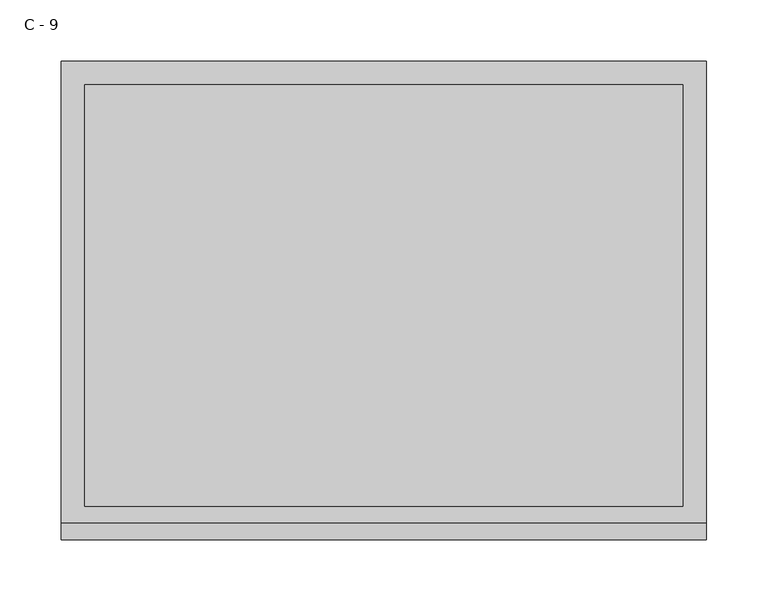
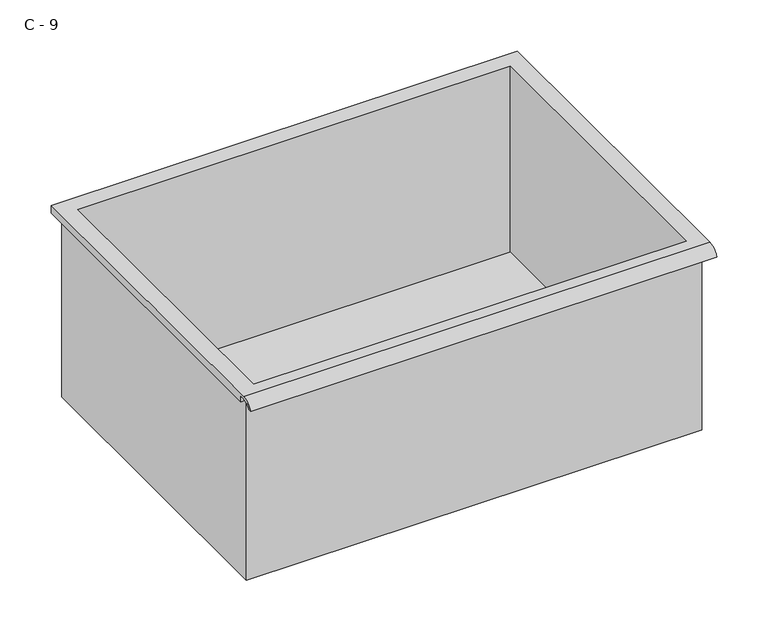
"""IFC4 building model written with IfcOpenShell, lengths in millimetres: furniture geometry, C - 9."""

import ifcopenshell
import ifcopenshell.guid

model = None  # the IFC model being written
_history = None  # IfcOwnerHistory: only IFC2X3 demands one
_inside = {}  # id of a spatial element -> (the spatial element, [elements in it])
_under = {}  # id of a project, library or spatial element -> (it, [spatial elements below it])
_declared = {}  # id of a project -> (the project, [libraries it declares])
_typed = {}  # id of a type object -> (the type object, [elements of that type])
_made_of = {}  # id of a material, layer set ... -> (it, [elements and type objects made of it])


def new_model(schema):
    """Start an empty IFC model of exactly this schema.

    Asked for "IFC4X3", IfcOpenShell would pick the latest addendum, in which some entities
    have other attributes; the version numbers below select the first issue.
    IFC2X3 requires an IfcOwnerHistory on every rooted entity: one is made here for all.
    """
    global model, _history
    if schema == "IFC4X3":
        model = ifcopenshell.file(schema_version=(4, 3, 0, 0))
    else:
        model = ifcopenshell.file(schema=schema)
    _inside.clear()
    _under.clear()
    _declared.clear()
    _typed.clear()
    _made_of.clear()
    _history = None
    if model.schema == "IFC2X3":
        org = make("IfcOrganization", Name="unknown")
        user = make(
            "IfcPersonAndOrganization",
            ThePerson=make("IfcPerson", FamilyName="unknown"),
            TheOrganization=org,
        )
        app = make(
            "IfcApplication",
            ApplicationDeveloper=org,
            Version="unknown",
            ApplicationFullName="unknown",
            ApplicationIdentifier="unknown",
        )
        _history = make(
            "IfcOwnerHistory",
            OwningUser=user,
            OwningApplication=app,
            ChangeAction="ADDED",
            CreationDate=0,
        )
    return model


def make(cls, **values):
    """One entity of the class cls with the attributes given. An attribute that is None is left unset."""
    return model.create_entity(
        cls, **{name: value for name, value in values.items() if value is not None}
    )


def rooted(cls, **values):
    """An entity with a GlobalId (a new one), such as an element, a storey or a relation."""
    return make(cls, GlobalId=ifcopenshell.guid.new(), OwnerHistory=_history, **values)


def si_unit(unit_type, name, prefix=None):
    """IfcSIUnit, for example si_unit("LENGTHUNIT", "METRE", prefix="MILLI")."""
    return make("IfcSIUnit", UnitType=unit_type, Prefix=prefix, Name=name)


def assignment(units):
    """IfcUnitAssignment: the units of a project."""
    return None if units is None else make("IfcUnitAssignment", Units=units)


def point(xyz):
    """IfcCartesianPoint."""
    return None if xyz is None else make("IfcCartesianPoint", Coordinates=xyz)


def direction(xyz):
    """IfcDirection."""
    return None if xyz is None else make("IfcDirection", DirectionRatios=xyz)


def frame(location, z_axis=None, x_axis=None):
    """IfcAxis2Placement3D, a coordinate frame: its origin and axes. An axis left out is left unset."""
    return make(
        "IfcAxis2Placement3D",
        Location=point(location),
        Axis=direction(z_axis),
        RefDirection=direction(x_axis),
    )


def origin():
    """The frame at (0, 0, 0) with its axes left unset."""
    return frame((0.0, 0.0, 0.0))


def place(relative_to, where):
    """IfcLocalPlacement: puts the frame where relative to a parent placement (None: the world)."""
    return make(
        "IfcLocalPlacement", PlacementRelTo=relative_to, RelativePlacement=where
    )


def context(
    kind, dimensions, precision=None, world=None, true_north=None, identifier=None
):
    """IfcGeometricRepresentationContext, for example the 3D "Model" context."""
    return make(
        "IfcGeometricRepresentationContext",
        ContextIdentifier=identifier,
        ContextType=kind,
        CoordinateSpaceDimension=dimensions,
        Precision=precision,
        WorldCoordinateSystem=world,
        TrueNorth=true_north,
    )


def project(units=None, contexts=None):
    """IfcProject with its units and contexts."""
    return rooted(
        "IfcProject",
        Name="project",
        RepresentationContexts=contexts,
        UnitsInContext=assignment(units),
    )


def spatial(cls, under=None, at=None, **own):
    """A site, building, storey or space (cls), placed at a placement, below another one or the project."""
    s = rooted(cls, ObjectPlacement=at, **own)
    if under is not None:
        _under.setdefault(under.id(), (under, []))[1].append(s)
    return s


def polyline(points):
    """IfcPolyline through the points."""
    return make("IfcPolyline", Points=[point(p) for p in points])


def circle_curve(where, radius):
    """IfcCircle in the frame where."""
    return make("IfcCircle", Position=where, Radius=radius)


def shape(context_of_items, identifier, shape_type, items):
    """IfcShapeRepresentation: the items that make up one representation, for example the "Body"."""
    return make(
        "IfcShapeRepresentation",
        ContextOfItems=context_of_items,
        RepresentationIdentifier=identifier,
        RepresentationType=shape_type,
        Items=items,
    )


def source(mapping_origin, context_of_items, identifier, shape_type, items):
    """IfcRepresentationMap: a shape defined once, which mapped items show again and again."""
    return make(
        "IfcRepresentationMap",
        MappingOrigin=mapping_origin,
        MappedRepresentation=shape(context_of_items, identifier, shape_type, items),
    )


def transform(
    local_origin,
    x_axis=None,
    y_axis=None,
    z_axis=None,
    scale=None,
    scale2=None,
    scale3=None,
    uniform=True,
):
    """IfcCartesianTransformationOperator3D, or its non-uniform kind. x_axis, y_axis, z_axis: its Axis1, 2, 3."""
    if uniform:
        return make(
            "IfcCartesianTransformationOperator3D",
            Axis1=direction(x_axis),
            Axis2=direction(y_axis),
            LocalOrigin=point(local_origin),
            Scale=scale,
            Axis3=direction(z_axis),
        )
    return make(
        "IfcCartesianTransformationOperator3DnonUniform",
        Axis1=direction(x_axis),
        Axis2=direction(y_axis),
        LocalOrigin=point(local_origin),
        Scale=scale,
        Axis3=direction(z_axis),
        Scale2=scale2,
        Scale3=scale3,
    )


def mapped(mapping_source, mapping_target):
    """IfcMappedItem: shows the shape of a source again, moved by a transform."""
    return make(
        "IfcMappedItem", MappingSource=mapping_source, MappingTarget=mapping_target
    )


def made_of(thing, what):
    """Note that an element or type object is made of a material, layer set ...; save() writes the relation."""
    if what is not None:
        _made_of.setdefault(what.id(), (what, []))[1].append(thing)
    return thing


def element(
    cls,
    number,
    at=None,
    inside=None,
    cuts=None,
    type_object=None,
    material=None,
    context=None,
    identifier="Body",
    shape_type=None,
    held_by="IfcProductDefinitionShape",
    body=None,
    shapes=None,
    **own,
):
    """One element of the class cls, such as IfcWall. Its Tag is "e" and its number.

    at: its placement. inside: the storey or other place that contains it. cuts: it is an
    opening in that element (IfcRelVoidsElement). A single representation is given by context,
    identifier, shape_type and body (its items); several are given by shapes. held_by: the class
    of the entity that holds the representations. save() writes the other relations.
    """
    e = rooted(cls, Tag="e%d" % number, ObjectPlacement=at, **own)
    if body is not None:
        shapes = [shape(context, identifier, shape_type, body)]
    if shapes is not None:
        e.Representation = make(held_by, Representations=shapes)
    if inside is not None:
        _inside.setdefault(inside.id(), (inside, []))[1].append(e)
    if cuts is not None:
        rooted(
            "IfcRelVoidsElement", RelatingBuildingElement=cuts, RelatedOpeningElement=e
        )
    if type_object is not None:
        _typed.setdefault(type_object.id(), (type_object, []))[1].append(e)
    return made_of(e, material)


def aggregate(whole, parts):
    """IfcRelAggregates: a whole, such as a stair, and the parts it consists of."""
    return rooted("IfcRelAggregates", RelatingObject=whole, RelatedObjects=parts)


def save(model, path):
    """Write the relations noted so far, then the file.

    IfcRelAggregates (storeys below a building ...), IfcRelContainedInSpatialStructure (elements
    in a storey), IfcRelDefinesByType, IfcRelAssociatesMaterial and IfcRelDeclares: one each for
    every whole, place, type object, material and project.
    """
    for whole, parts in _under.values():
        aggregate(whole, parts)
    for where, things in _inside.values():
        rooted(
            "IfcRelContainedInSpatialStructure",
            RelatedElements=things,
            RelatingStructure=where,
        )
    for kind, things in _typed.values():
        rooted("IfcRelDefinesByType", RelatedObjects=things, RelatingType=kind)
    for what, things in _made_of.values():
        rooted("IfcRelAssociatesMaterial", RelatedObjects=things, RelatingMaterial=what)
    for by, libraries in _declared.values():
        rooted("IfcRelDeclares", RelatingContext=by, RelatedDefinitions=libraries)
    model.write(path)


def plane_surface(at):
    """IfcPlane: the flat surface through the origin of the frame at, square to its z axis."""
    return make("IfcPlane", Position=at)


def cylinder_surface(at, radius):
    """IfcCylindricalSurface: all points at the distance radius from the z axis of the frame at."""
    return make("IfcCylindricalSurface", Position=at, Radius=radius)


def revolved_surface(curve, axis_point, axis_direction):
    """IfcSurfaceOfRevolution: the curve turned about the line through axis_point along axis_direction."""
    return make(
        "IfcSurfaceOfRevolution",
        SweptCurve=make("IfcArbitraryOpenProfileDef", ProfileType="CURVE", Curve=curve),
        AxisPosition=make("IfcAxis1Placement", Location=point(axis_point), Axis=direction(axis_direction)),
    )


def advanced_brep(points, edges, surfaces, faces):
    """IfcAdvancedBrep: a solid bounded by faces that lie on surfaces and meet in shared edges.

    An edge is (start, end): straight between two places in points (the first is 0);
    or (start, end, curve); or (start, end, curve, False) where it runs against its curve.
    A face is (place in surfaces, loops), or (place, loops, False) where it looks against
    its surface's normal. A loop lists edges by number (the first is 1), with a minus sign
    where the edge is run from its end to its start. The first loop is the outer one.
    """
    corners = [point(p) for p in points]
    vertices = [make("IfcVertexPoint", VertexGeometry=c) for c in corners]
    made = []
    for start, end, *more in edges:
        made.append(
            make(
                "IfcEdgeCurve",
                EdgeStart=vertices[start],
                EdgeEnd=vertices[end],
                EdgeGeometry=more[0] if more else make("IfcPolyline", Points=[corners[start], corners[end]]),
                SameSense=more[1] if len(more) > 1 else True,
            )
        )
    hull = []
    for where, loops, *sense in faces:
        bounds = []
        for j, loop in enumerate(loops):
            ring = [make("IfcOrientedEdge", EdgeElement=made[abs(k) - 1], Orientation=k > 0) for k in loop]
            bounds.append(
                make(
                    "IfcFaceOuterBound" if j == 0 else "IfcFaceBound",
                    Bound=make("IfcEdgeLoop", EdgeList=ring),
                    Orientation=True,
                )
            )
        hull.append(make("IfcAdvancedFace", Bounds=bounds, FaceSurface=surfaces[where], SameSense=sense[0] if sense else True))
    return make("IfcAdvancedBrep", Outer=make("IfcClosedShell", CfsFaces=hull))


def c_9_c206d146(model_context):
    return source(origin(), model_context, "Body", "AdvancedBrep", [
        advanced_brep(
        [(-257.1076517, -176.2125, 440.5249), (257.2423483, -176.2125, 440.5249), (257.2423483, -176.2125, 656.4249), (263.5923483, -176.2125, 656.4249), (263.5923483, -176.2125, 662.7320341), (-263.4576517, -176.2125, 662.7320341), (-263.4576517, -176.2125, 656.4249), (-257.1076517, -176.2125, 656.4249), (257.2423483, 185.7375, 440.5249), (-257.1076517, 185.7375, 440.5249), (-257.1076517, 185.7375, 656.4249), (257.2423483, 185.7375, 656.4249), (263.5923483, -181.6070544, 665.9499), (263.5923483, 195.2625, 665.9499), (-263.4576517, 195.2625, 665.9499), (-263.4576517, -181.6070544, 665.9499), (244.5423483, -168.275, 665.9499), (-244.4076517, -168.275, 665.9499), (-244.4076517, 176.2125, 665.9499), (244.5423483, 176.2125, 665.9499), (263.5923483, -195.2625, 656.4249), (263.5923483, -191.8280601, 656.4249), (263.5923483, -180.4714815, 662.7320341), (263.5923483, 195.2625, 656.4249), (-263.4576517, 195.2625, 656.4249), (-263.4576517, -180.4714815, 662.7320341), (-263.4576517, -191.8280601, 656.4249), (-263.4576517, -195.2625, 656.4249), (-244.4076517, -168.275, 443.5510719), (244.5423483, -168.275, 443.5510719), (244.5423483, 176.2125, 443.5510719), (-244.4076517, 176.2125, 443.5510719)],
        [
            (0, 1),
            (1, 2),
            (2, 3),
            (3, 4),
            (4, 5),
            (5, 6),
            (6, 7),
            (7, 0),
            (8, 9),
            (9, 10),
            (10, 11),
            (11, 8),
            (0, 9),
            (8, 1),
            (11, 2),
            (12, 13),
            (13, 14),
            (14, 15),
            (15, 12),
            (16, 17),
            (17, 18),
            (18, 19),
            (19, 16),
            (7, 10),
            (12, 20, circle_curve(frame((263.5923483, -181.6070544, 651.3988859), z_axis=(1.0, 0.0, 0.0), x_axis=(0.0, 1.0, 0.0)), 14.5510141)),
            (20, 21),
            (21, 22, circle_curve(frame((263.5923483, -181.6070544, 651.3988859), z_axis=(-1.0, 0.0, 0.0), x_axis=(0.0, 1.0, 0.0)), 11.3898979)),
            (22, 4),
            (3, 23),
            (23, 13),
            (14, 24),
            (24, 6),
            (5, 25),
            (25, 26, circle_curve(frame((-263.4576517, -181.6070544, 651.3988859), z_axis=(1.0, 0.0, 0.0), x_axis=(0.0, 1.0, 0.0)), 11.3898979)),
            (26, 27),
            (27, 15, circle_curve(frame((-263.4576517, -181.6070544, 651.3988859), z_axis=(-1.0, 0.0, 0.0), x_axis=(0.0, 1.0, 0.0)), 14.5510141)),
            (27, 20),
            (26, 21),
            (25, 22),
            (24, 23),
            (28, 29),
            (29, 30),
            (30, 31),
            (31, 28),
            (28, 17),
            (16, 29),
            (19, 30),
            (18, 31),
        ],
        [
            plane_surface(frame((257.2423483, -176.2125, 440.5249), z_axis=(0.0, -1.0, 0.0), x_axis=(1.0, 0.0, 0.0))),
            plane_surface(frame((257.2423483, 185.7375, 440.5249), z_axis=(0.0, 1.0, 0.0), x_axis=(-1.0, 0.0, 0.0))),
            plane_surface(frame((-257.1076517, -176.2125, 440.5249), z_axis=(0.0, 0.0, -1.0), x_axis=(0.0, 1.0, 0.0))),
            plane_surface(frame((257.2423483, -176.2125, 440.5249), z_axis=(1.0, 0.0, 0.0), x_axis=(0.0, 1.0, 0.0))),
            plane_surface(frame((257.2423483, -176.2125, 665.9499), z_axis=(0.0, 0.0, 1.0), x_axis=(0.0, 1.0, 0.0))),
            plane_surface(frame((-257.1076517, -176.2125, 665.9499), z_axis=(-1.0, 0.0, 0.0), x_axis=(0.0, 1.0, 0.0))),
            plane_surface(frame((263.5923483, 195.2625, 665.9499), z_axis=(1.0, 0.0, 0.0), x_axis=(0.0, -1.0, 0.0))),
            plane_surface(frame((-263.4576517, 195.2625, 665.9499), z_axis=(-1.0, 0.0, 0.0), x_axis=(0.0, 1.0, 0.0))),
            cylinder_surface(frame((-263.4576517, -181.6070544, 651.3988859), z_axis=(1.0, 0.0, 0.0), x_axis=(0.0, 1.0, 0.0)), 14.5510141),
            plane_surface(frame((263.5923483, -195.2625, 656.4249), z_axis=(0.0, -7.212409108516536e-12, -1.0), x_axis=(-1.0, 0.0, 0.0))),
            revolved_surface(polyline([(-263.4576517, -170.21715650000002, 651.3988859), (263.59234829999997, -170.21715650000002, 651.3988859)]), (-263.4576517, -181.6070544, 651.3988859), (-1.0, 0.0, 0.0)),
            plane_surface(frame((263.5923483, -180.4714815, 662.7320341), z_axis=(0.0, -1.776606465778532e-11, -1.0), x_axis=(-1.0, 0.0, 0.0))),
            plane_surface(frame((263.5923483, -176.2125, 656.4249), z_axis=(0.0, 0.0, -1.0), x_axis=(-1.0, 0.0, 0.0))),
            plane_surface(frame((263.5923483, 195.2625, 656.4249), z_axis=(0.0, 1.0, 0.0), x_axis=(-1.0, 0.0, 0.0))),
            plane_surface(frame((244.5423483, -168.275, 443.5510719), z_axis=(0.0, 0.0, 1.0), x_axis=(-1.0, 0.0, 0.0))),
            plane_surface(frame((-244.4076517, -168.275, 665.9499), z_axis=(0.0, 1.0, 0.0), x_axis=(0.0, 0.0, -1.0))),
            plane_surface(frame((244.5423483, -168.275, 665.9499), z_axis=(-1.0, 0.0, 0.0), x_axis=(0.0, 0.0, -1.0))),
            plane_surface(frame((244.5423483, 176.2125, 665.9499), z_axis=(0.0, -1.0, 0.0), x_axis=(0.0, 0.0, -1.0))),
            plane_surface(frame((-244.4076517, 176.2125, 665.9499), z_axis=(1.0, 0.0, 0.0), x_axis=(0.0, 0.0, -1.0))),
        ],
        [
            (0, [[1, 2, 3, 4, 5, 6, 7, 8]]),
            (1, [[9, 10, 11, 12]]),
            (2, [[-1, 13, -9, 14]]),
            (3, [[-14, -12, 15, -2]]),
            (4, [[16, 17, 18, 19], [20, 21, 22, 23]]),
            (5, [[-13, -8, 24, -10]]),
            (6, [[-16, 25, 26, 27, 28, -4, 29, 30]]),
            (7, [[31, 32, -6, 33, 34, 35, 36, -18]]),
            (8, [[-25, -19, -36, 37]]),
            (9, [[-26, -37, -35, 38]]),
            (10, [[-27, -38, -34, 39]]),
            (11, [[-28, -39, -33, -5]]),
            (12, [[-29, -3, -15, -11, -24, -7, -32, 40]]),
            (13, [[-30, -40, -31, -17]]),
            (14, [[41, 42, 43, 44]]),
            (15, [[-41, 45, -20, 46]]),
            (16, [[-42, -46, -23, 47]]),
            (17, [[-43, -47, -22, 48]]),
            (18, [[-44, -48, -21, -45]]),
        ],
    ),
    ])


if __name__ == "__main__":
    model = new_model("IFC4")
    model_context = context("Model", 3, world=origin())
    ifc_project = project(units=[si_unit("LENGTHUNIT", "METRE", prefix="MILLI")], contexts=[model_context])
    site = spatial("IfcSite", under=ifc_project)
    building = spatial("IfcBuilding", under=site)
    placement = place(None, origin())
    c_9_shape = c_9_c206d146(model_context)
    element("IfcFurniture", 1, ObjectType="C - 9", at=placement, inside=building, context=model_context, shape_type="MappedRepresentation", body=[
        mapped(c_9_shape, transform((0.0, 0.0, 0.0), x_axis=(1.0, 0.0, 0.0), y_axis=(0.0, 1.0, 0.0), z_axis=(0.0, 0.0, 1.0))),
    ])
    save(model, "model.ifc")
